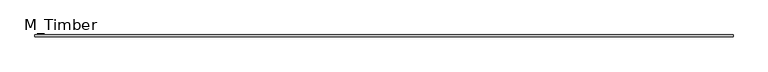
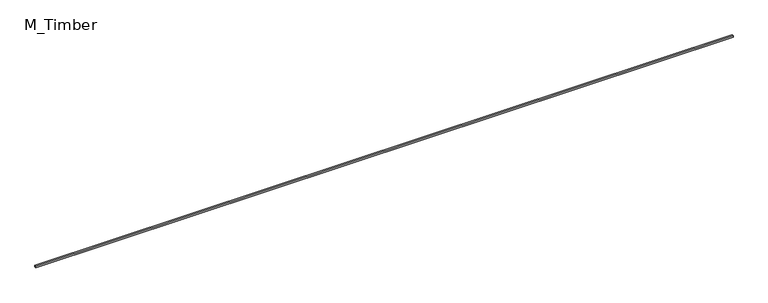
"""IFC4 building model written with IfcOpenShell, lengths in millimetres: beam geometry, M_Timber."""

from ifc_helpers import new_model, si_unit, frame, origin, place, context, project, spatial, polyline, outline, extrude, source, transform, mapped, element, save


def m_timber_894b40ba(model_context):
    return source(origin(), model_context, "Body", "SweptSolid", [
        extrude(outline(polyline([(8252.9657629, 20.0), (8252.9657629, -20.0), (-8252.9657629, -20.0), (-8252.9657629, 20.0), (8252.9657629, 20.0)])), frame((0.0, 0.0, -20.0), z_axis=(0.0, 0.0, 1.0), x_axis=(1.0, 0.0, 0.0)), (0.0, 0.0, 1.0), 40.0),
    ])


if __name__ == "__main__":
    model = new_model("IFC4")
    model_context = context("Model", 3, world=origin())
    ifc_project = project(units=[si_unit("LENGTHUNIT", "METRE", prefix="MILLI")], contexts=[model_context])
    site = spatial("IfcSite", under=ifc_project)
    building = spatial("IfcBuilding", under=site)
    placement = place(None, origin())
    m_timber_shape = m_timber_894b40ba(model_context)
    element("IfcBeam", 1, ObjectType="M_Timber", at=placement, inside=building, context=model_context, shape_type="MappedRepresentation", body=[
        mapped(m_timber_shape, transform((0.0, 0.0, 0.0), x_axis=(1.0, 0.0, 0.0), y_axis=(0.0, 1.0, 0.0), z_axis=(0.0, 0.0, 1.0))),
    ])
    save(model, "model.ifc")
